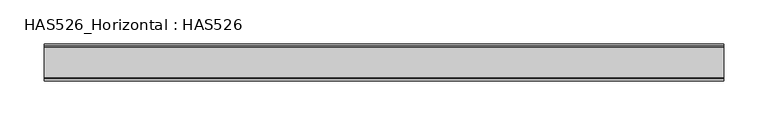
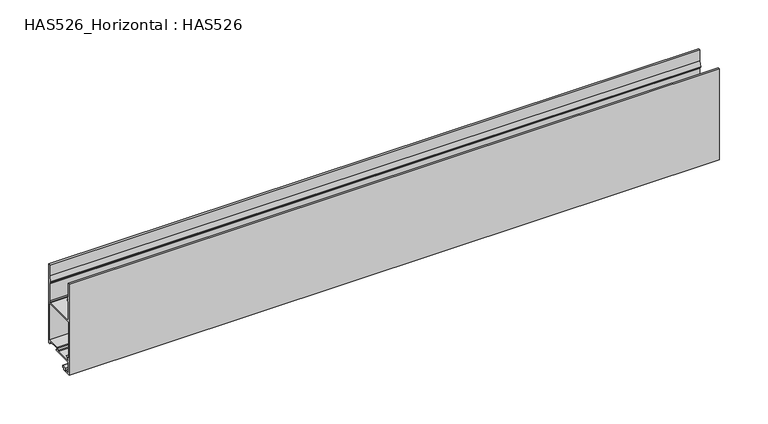
"""IFC4 building model written with IfcOpenShell, lengths in millimetres: beam geometry, HAS526_Horizontal : HAS526."""

from ifc_helpers import new_model, si_unit, point, frame, frame_2d, origin, place, context, project, spatial, polyline, circle_curve, trimmed, segment, composite_curve, outline, extrude, source, transform, mapped, element, save


def has526_horizontal_has526_a9f20723(model_context):
    return source(origin(), model_context, "Body", "SweptSolid", [
        extrude(outline(composite_curve([segment(polyline([(-18.8894472, -100.2512563), (-18.8894472, -110.6231156), (-18.4673367, -111.678392), (-17.4120603, -112.1005025), (-13.6130653, -112.1005025), (-12.7688442, -110.6231156), (-8.4213006, -109.1739344)]), True, "CONTINUOUS"), segment(trimmed(circle_curve(frame_2d((-8.2999492, -109.5379885)), 0.3837468), [point((-8.4213006, -109.1739344))], [point((-7.9236545, -109.6132475))], False, "CARTESIAN"), True, "CONTINUOUS"), segment(polyline([(-7.9236545, -109.6132475), (-8.3366834, -111.678392), (-10.0251256, -111.678392), (-10.0251256, -114.0), (-21.0, -114.0), (-21.0, 0.0), (-18.8894472, 0.0), (-18.8894472, -13.718593), (-17.8341709, -20.4723618), (-18.8894472, -20.4723618), (-18.8894472, -21.5276382), (-17.6231156, -21.5276382), (-18.8894472, -23.638191), (-18.8894472, -45.1658291), (-18.4673367, -46.2211055), (-17.4120603, -46.6432161), (17.4120603, -46.6432161), (18.4673367, -46.2211055), (18.8894472, -45.1658291), (18.8894472, -23.638191), (17.6231156, -21.5276382), (18.8894472, -21.5276382), (18.8894472, -20.4723618), (17.6231156, -20.4723618), (18.8894472, -13.718593), (18.8894472, 0.0), (21.0, 0.0), (21.0, -98.7738693), (18.8894472, -98.7738693), (17.6231156, -97.5075377), (18.8291457, -95.3969849), (3.4824121, -95.3969849), (3.4824121, -97.2964824), (5.106081, -97.7023996)]), True, "CONTINUOUS"), segment(trimmed(circle_curve(frame_2d((4.974177, -98.2300154)), 0.5438539), [point((5.106081, -97.7023996))], [point((4.974177, -98.7738693))], False, "CARTESIAN"), True, "CONTINUOUS"), segment(polyline([(4.974177, -98.7738693), (-17.4120603, -98.7738693), (-18.4673367, -99.1959799), (-18.8894472, -100.2512563)]), True, "CONTINUOUS")], self_intersect=False), holes=[polyline([(-18.8894472, -48.7537688), (-18.8894472, -93.2864322), (-15.5701233, -93.2864322), (-18.6400183, -96.6633166), (-0.1055276, -96.6633166), (0.8492462, -96.281407), (1.7939698, -93.919598), (2.8492462, -93.4974874), (18.8894472, -93.4974874), (18.8894472, -48.7537688), (-18.8894472, -48.7537688)])]), frame((-386.0, 0.0, 0.0), z_axis=(1.0, 0.0, 0.0), x_axis=(0.0, 1.0, 0.0)), (0.0, 0.0, 1.0), 772.0),
    ])


if __name__ == "__main__":
    model = new_model("IFC4")
    model_context = context("Model", 3, world=origin())
    ifc_project = project(units=[si_unit("LENGTHUNIT", "METRE", prefix="MILLI")], contexts=[model_context])
    site = spatial("IfcSite", under=ifc_project)
    building = spatial("IfcBuilding", under=site)
    placement = place(None, origin())
    has526_horizontal_has526_shape = has526_horizontal_has526_a9f20723(model_context)
    element("IfcBeam", 1, ObjectType="HAS526_Horizontal : HAS526", at=placement, inside=building, context=model_context, shape_type="MappedRepresentation", body=[
        mapped(has526_horizontal_has526_shape, transform((0.0, 0.0, 0.0), x_axis=(1.0, 0.0, 0.0), y_axis=(0.0, 1.0, 0.0), z_axis=(0.0, 0.0, 1.0))),
    ])
    save(model, "model.ifc")
